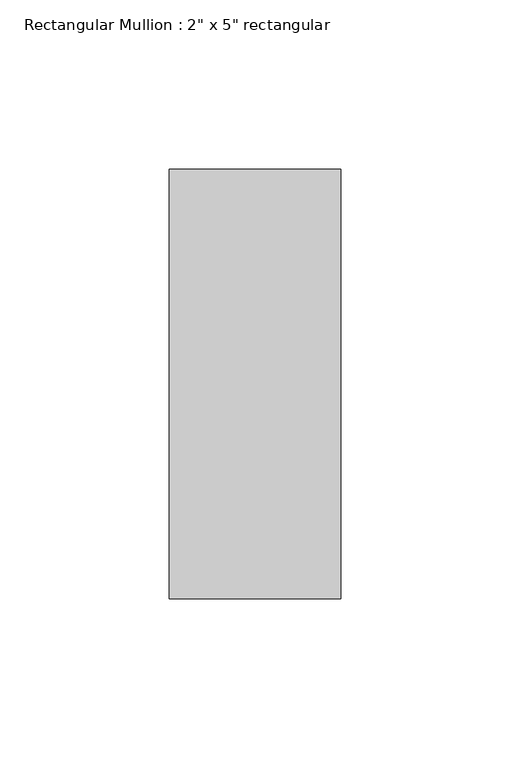
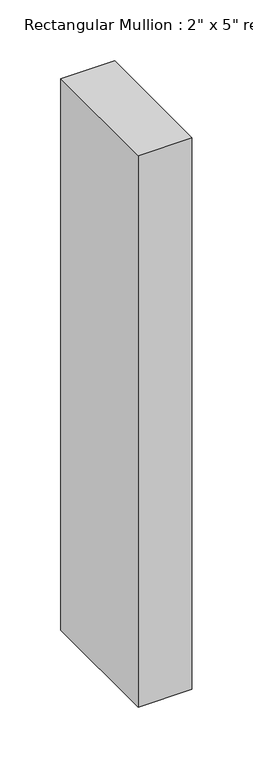
"""IFC4 building model written with IfcOpenShell, lengths in millimetres: member geometry."""

from ifc_helpers import new_model, si_unit, frame, origin, place, context, project, spatial, polyline, outline, extrude, source, transform, mapped, element, save


def member_04b51577(model_context):
    return source(origin(), model_context, "Body", "SweptSolid", [
        extrude(outline(polyline([(25.4, 63.5), (25.4, -63.5), (-25.4, -63.5), (-25.4, 63.5), (25.4, 63.5)])), frame((0.0, 0.0, -552.45), z_axis=(0.0, 0.0, 1.0), x_axis=(1.0, 0.0, 0.0)), (0.0, 0.0, 1.0), 552.45),
    ])


if __name__ == "__main__":
    model = new_model("IFC4")
    model_context = context("Model", 3, world=origin())
    ifc_project = project(units=[si_unit("LENGTHUNIT", "METRE", prefix="MILLI")], contexts=[model_context])
    site = spatial("IfcSite", under=ifc_project)
    building = spatial("IfcBuilding", under=site)
    placement = place(None, origin())
    member_shape = member_04b51577(model_context)
    element("IfcMember", 1, ObjectType="Rectangular Mullion : 2\" x 5\" rectangular", at=placement, inside=building, context=model_context, shape_type="MappedRepresentation", body=[
        mapped(member_shape, transform((0.0, 0.0, 0.0), x_axis=(1.0, 0.0, 0.0), y_axis=(0.0, 1.0, 0.0), z_axis=(0.0, 0.0, 1.0))),
    ])
    save(model, "model.ifc")
